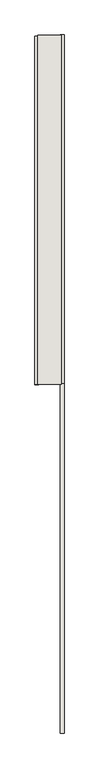
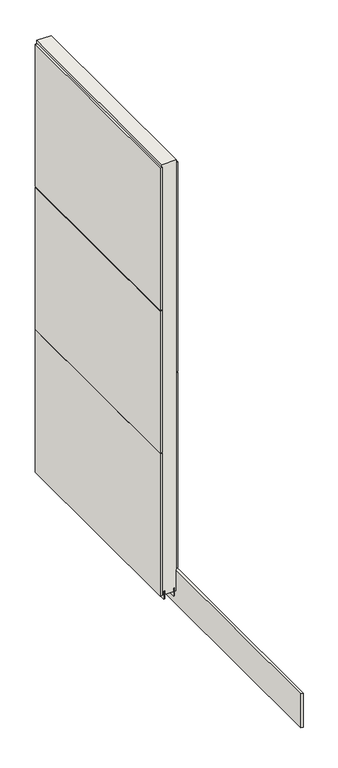
"""IFC4 building model written with IfcOpenShell, lengths in millimetres: wall geometry."""

from ifc_helpers import new_model, si_unit, frame, origin, place, context, project, spatial, polyline, outline, extrude, source, transform, mapped, element, save


def wall_2f435ca0(model_context):
    return source(origin(), model_context, "Body", "SweptSolid", [
        extrude(outline(polyline([(84659.7205202, -47214.3447634), (84659.7205202, -47211.8047634), (84662.2605202, -47211.8047634), (84662.2605202, -47214.3447634), (84659.7205202, -47214.3447634)])), frame((0.0, 0.0, 4419.6), z_axis=(0.0, 0.0, 1.0), x_axis=(1.0, 0.0, 0.0)), (0.0, 0.0, 1.0), 2.54),
        extrude(outline(polyline([(84711.7905202, -47211.3385464), (84711.7905202, -48426.5385544), (84699.0905202, -48426.5385544), (84699.0905202, -47211.3385464), (84711.7905202, -47211.3385464)])), frame((0.0, 0.0, 4573.9999706), z_axis=(0.0, 0.0, 1.0), x_axis=(1.0, 0.0, 0.0)), (0.0, 0.0, 1.0), 1164.400008),
        extrude(outline(polyline([(84711.7905202, -47211.3385464), (84711.7905202, -48426.5385544), (84699.0905202, -48426.5385544), (84699.0905202, -47211.3385464), (84711.7905202, -47211.3385464)])), frame((0.0, 0.0, 5742.4000722), z_axis=(0.0, 0.0, 1.0), x_axis=(1.0, 0.0, 0.0)), (0.0, 0.0, 1.0), 1247.649905),
        extrude(outline(polyline([(84711.7905202, -47213.8033878), (84711.7905202, -49648.2036498), (84699.0905202, -49648.2036498), (84699.0905202, -47213.8033878), (84711.7905202, -47213.8033878)])), frame((0.0, 0.0, 4368.1000014), z_axis=(0.0, 0.0, 1.0), x_axis=(1.0, 0.0, 0.0)), (0.0, 0.0, 1.0), 201.9000026),
        extrude(outline(polyline([(84610.1905202, -48431.4684912), (84610.1905202, -47216.2684832), (84622.8905202, -47216.2684832), (84622.8905202, -48431.4684912), (84610.1905202, -48431.4684912)])), frame((0.0, 0.0, 6144.6445052), z_axis=(0.0, 0.0, 1.0), x_axis=(1.0, 0.0, 0.0)), (0.0, 0.0, 1.0), 845.4053704),
        extrude(outline(polyline([(84610.1905202, -48431.4684912), (84610.1905202, -47216.2684832), (84622.8905202, -47216.2684832), (84622.8905202, -48431.4684912), (84610.1905202, -48431.4684912)])), frame((0.0, 0.0, 5294.878539), z_axis=(0.0, 0.0, 1.0), x_axis=(1.0, 0.0, 0.0)), (0.0, 0.0, 1.0), 845.7658218),
        extrude(outline(polyline([(84610.1905202, -48431.4684912), (84610.1905202, -47216.2684832), (84622.8905202, -47216.2684832), (84622.8905202, -48431.4684912), (84610.1905202, -48431.4684912)])), frame((0.0, 0.0, 4445.0), z_axis=(0.0, 0.0, 1.0), x_axis=(1.0, 0.0, 0.0)), (0.0, 0.0, 1.0), 845.8785978),
        extrude(outline(polyline([(84686.0618696, -48430.9942224), (84686.0618696, -47211.7942224), (84691.1468226, -47211.7942224), (84691.1468226, -48430.9942224), (84686.0618696, -48430.9942224)])), frame((0.0, 0.0, 4418.6602), z_axis=(0.0, 0.0, 1.0), x_axis=(1.0, 0.0, 0.0)), (0.0, 0.0, 1.0), 47.625),
        extrude(outline(polyline([(84686.0618696, -48430.9942224), (84686.0618696, -47211.7942224), (84691.1468226, -47211.7942224), (84691.1468226, -48430.9942224), (84686.0618696, -48430.9942224)])), frame((0.0, 0.0, 4418.6602), z_axis=(0.0, 0.0, 1.0), x_axis=(1.0, 0.0, 0.0)), (0.0, 0.0, 1.0), 47.625),
        extrude(outline(polyline([(84635.9253938, -47211.7942224), (84635.9253938, -48430.9942224), (84630.8218226, -48430.9942224), (84630.8218226, -47211.7942224), (84635.9253938, -47211.7942224)])), frame((0.0, 0.0, 4418.6602), z_axis=(0.0, 0.0, 1.0), x_axis=(1.0, 0.0, 0.0)), (0.0, 0.0, 1.0), 47.625),
        extrude(outline(polyline([(84635.9253938, -47211.7942224), (84635.9253938, -48430.9942224), (84630.8218226, -48430.9942224), (84630.8218226, -47211.7942224), (84635.9253938, -47211.7942224)])), frame((0.0, 0.0, 4418.6602), z_axis=(0.0, 0.0, 1.0), x_axis=(1.0, 0.0, 0.0)), (0.0, 0.0, 1.0), 47.625),
        extrude(outline(polyline([(84701.6330094, -48430.9942224), (84620.354254, -48430.9942224), (84620.354254, -47211.7942224), (84701.6330094, -47211.7942224), (84701.6330094, -48430.9942224)])), frame((0.0, 0.0, 4445.0), z_axis=(0.0, 0.0, 1.0), x_axis=(1.0, 0.0, 0.0)), (0.0, 0.0, 1.0), 2562.4536762),
    ])


if __name__ == "__main__":
    model = new_model("IFC4")
    model_context = context("Model", 3, world=origin())
    ifc_project = project(units=[si_unit("LENGTHUNIT", "METRE", prefix="MILLI")], contexts=[model_context])
    site = spatial("IfcSite", under=ifc_project)
    building = spatial("IfcBuilding", under=site)
    placement = place(None, origin())
    wall_shape = wall_2f435ca0(model_context)
    element("IfcWall", 1, at=placement, inside=building, context=model_context, shape_type="MappedRepresentation", body=[
        mapped(wall_shape, transform((0.0, 0.0, 0.0), x_axis=(1.0, 0.0, 0.0), y_axis=(0.0, 1.0, 0.0), z_axis=(0.0, 0.0, 1.0))),
    ])
    save(model, "model.ifc")
